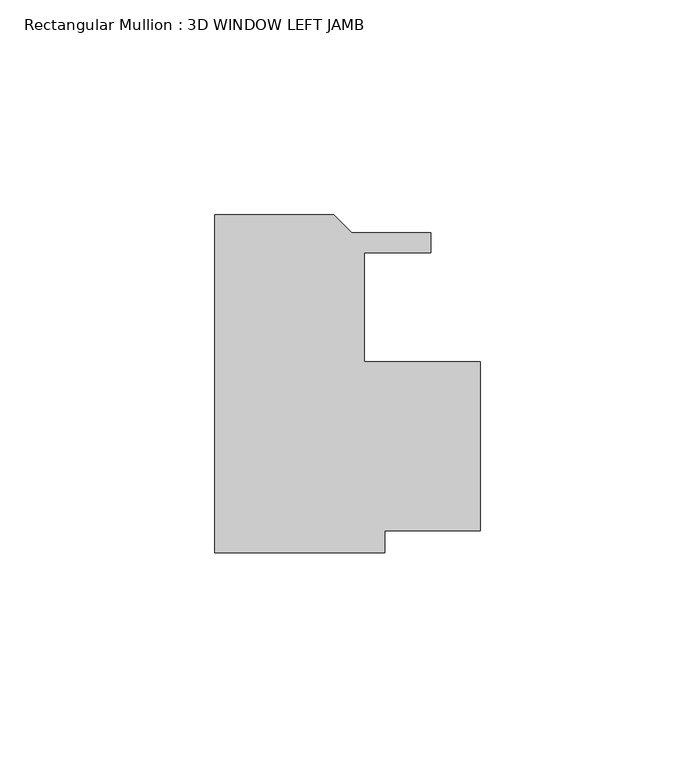
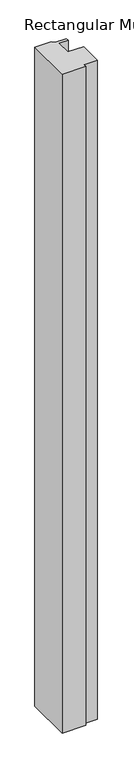
"""IFC4 building model written with IfcOpenShell, lengths in millimetres: member geometry, Rectangular Mullion : 3D WINDOW LEFT JAMB."""

from ifc_helpers import new_model, si_unit, frame, origin, place, context, project, spatial, polyline, outline, extrude, source, transform, mapped, element, save


def rectangular_mullion_3d_window_left_jamb_0d3bf967(model_context):
    return source(origin(), model_context, "Body", "SweptSolid", [
        extrude(outline(polyline([(0.0, -57.1388465), (0.0, 21.6773962), (27.7764417, 21.6773962), (32.0436417, 17.4101962), (50.4261495, 17.4101962), (50.4261495, 12.7111961), (34.9381058, 12.7111961), (34.9381058, -12.6888039), (61.9125, -12.6888039), (61.9125, -52.0588038), (39.7006057, -52.0588038), (39.7006057, -57.1388465), (0.0, -57.1388465)])), frame((0.0, 0.0, -1168.4), z_axis=(0.0, 0.0, 1.0), x_axis=(1.0, 0.0, 0.0)), (0.0, 0.0, 1.0), 1168.4),
    ])


if __name__ == "__main__":
    model = new_model("IFC4")
    model_context = context("Model", 3, world=origin())
    ifc_project = project(units=[si_unit("LENGTHUNIT", "METRE", prefix="MILLI")], contexts=[model_context])
    site = spatial("IfcSite", under=ifc_project)
    building = spatial("IfcBuilding", under=site)
    placement = place(None, origin())
    rectangular_mullion_3d_window_left_jamb_shape = rectangular_mullion_3d_window_left_jamb_0d3bf967(model_context)
    element("IfcMember", 1, ObjectType="Rectangular Mullion : 3D WINDOW LEFT JAMB", at=placement, inside=building, context=model_context, shape_type="MappedRepresentation", body=[
        mapped(rectangular_mullion_3d_window_left_jamb_shape, transform((0.0, 0.0, 0.0), x_axis=(1.0, 0.0, 0.0), y_axis=(0.0, 1.0, 0.0), z_axis=(0.0, 0.0, 1.0))),
    ])
    save(model, "model.ifc")
